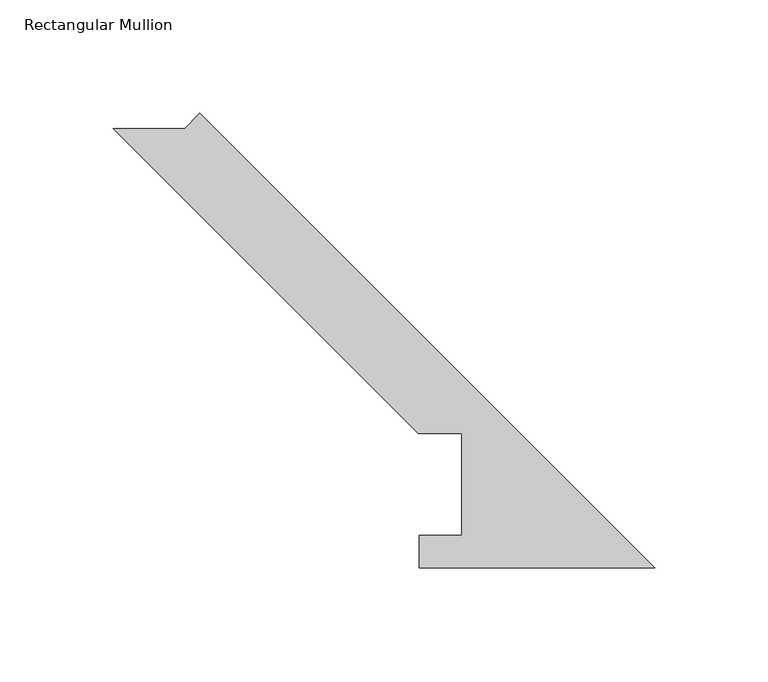
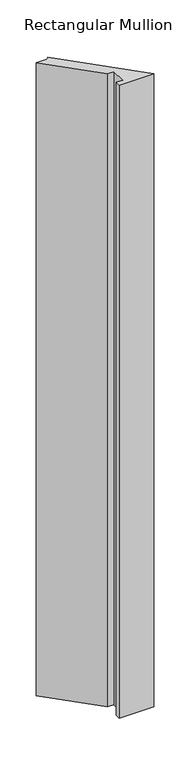
"""IFC4 building model written with IfcOpenShell, lengths in millimetres: member geometry, Rectangular Mullion."""

from ifc_helpers import new_model, si_unit, frame, origin, place, context, project, spatial, polyline, outline, extrude, source, transform, mapped, element, save


def rectangular_mullion_e9c6f3bc(model_context):
    return source(origin(), model_context, "Body", "SweptSolid", [
        extrude(outline(polyline([(-207.3388849, 194.0554867), (-200.6036928, 200.7906788), (0.0, 0.186986), (-103.8932205, 0.186986), (-103.8932205, 14.436386), (-85.1955446, 14.436386), (-85.1955446, 59.53125), (-104.2455446, 59.53125), (-238.7697813, 194.0554867), (-207.3388849, 194.0554867)])), frame((0.0, 0.0, -1993.9), z_axis=(0.0, 0.0, 1.0), x_axis=(1.0, 0.0, 0.0)), (0.0, 0.0, 1.0), 1993.9),
    ])


if __name__ == "__main__":
    model = new_model("IFC4")
    model_context = context("Model", 3, world=origin())
    ifc_project = project(units=[si_unit("LENGTHUNIT", "METRE", prefix="MILLI")], contexts=[model_context])
    site = spatial("IfcSite", under=ifc_project)
    building = spatial("IfcBuilding", under=site)
    placement = place(None, origin())
    rectangular_mullion_shape = rectangular_mullion_e9c6f3bc(model_context)
    element("IfcMember", 1, ObjectType="Rectangular Mullion", at=placement, inside=building, context=model_context, shape_type="MappedRepresentation", body=[
        mapped(rectangular_mullion_shape, transform((0.0, 0.0, 0.0), x_axis=(1.0, 0.0, 0.0), y_axis=(0.0, 1.0, 0.0), z_axis=(0.0, 0.0, 1.0))),
    ])
    save(model, "model.ifc")
